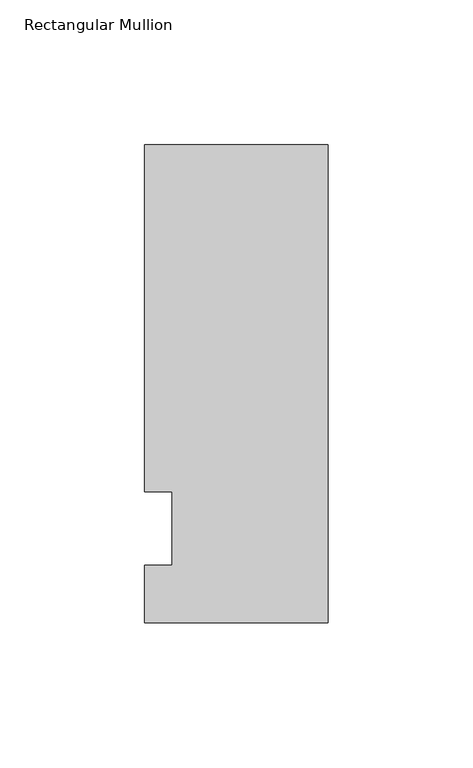
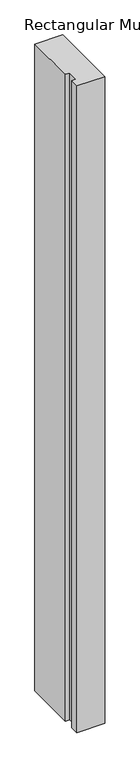
"""IFC4 building model written with IfcOpenShell, lengths in millimetres: member geometry, Rectangular Mullion."""

from ifc_helpers import new_model, si_unit, frame, origin, place, context, project, spatial, polyline, outline, extrude, source, transform, mapped, element, save


def rectangular_mullion_d31f0632(model_context):
    return source(origin(), model_context, "Body", "SweptSolid", [
        extrude(outline(polyline([(-63.5, -32.54375), (-63.5, -12.7), (-53.975, -12.7), (-53.975, 12.7), (-63.5, 12.7), (-63.5, 132.55625), (0.0, 132.55625), (0.0, -32.54375), (-63.5, -32.54375)])), frame((0.0, 0.0, -1555.75), z_axis=(0.0, 0.0, 1.0), x_axis=(1.0, 0.0, 0.0)), (0.0, 0.0, 1.0), 1555.75),
    ])


if __name__ == "__main__":
    model = new_model("IFC4")
    model_context = context("Model", 3, world=origin())
    ifc_project = project(units=[si_unit("LENGTHUNIT", "METRE", prefix="MILLI")], contexts=[model_context])
    site = spatial("IfcSite", under=ifc_project)
    building = spatial("IfcBuilding", under=site)
    placement = place(None, origin())
    rectangular_mullion_shape = rectangular_mullion_d31f0632(model_context)
    element("IfcMember", 1, ObjectType="Rectangular Mullion", at=placement, inside=building, context=model_context, shape_type="MappedRepresentation", body=[
        mapped(rectangular_mullion_shape, transform((0.0, 0.0, 0.0), x_axis=(1.0, 0.0, 0.0), y_axis=(0.0, 1.0, 0.0), z_axis=(0.0, 0.0, 1.0))),
    ])
    save(model, "model.ifc")
